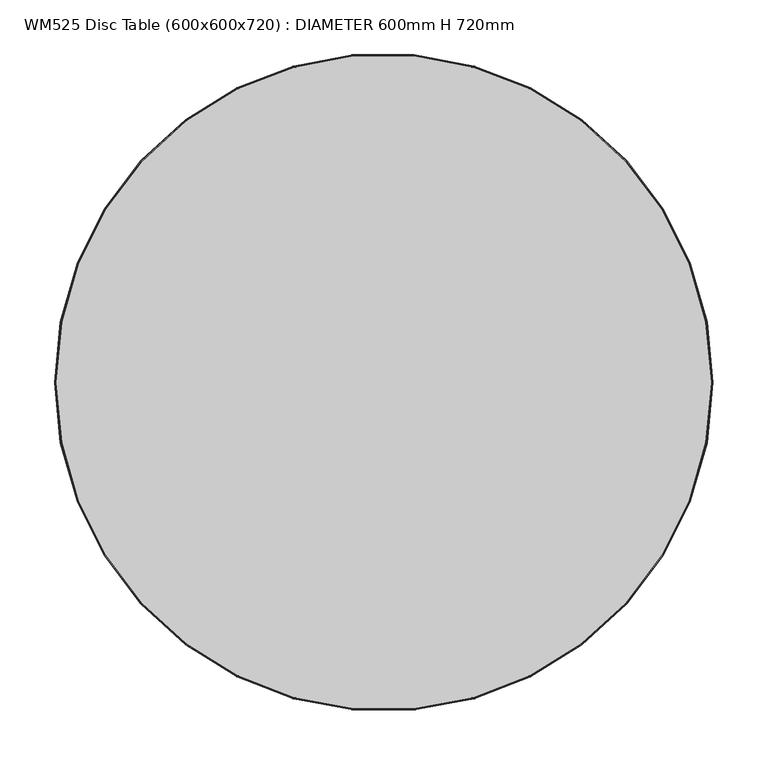
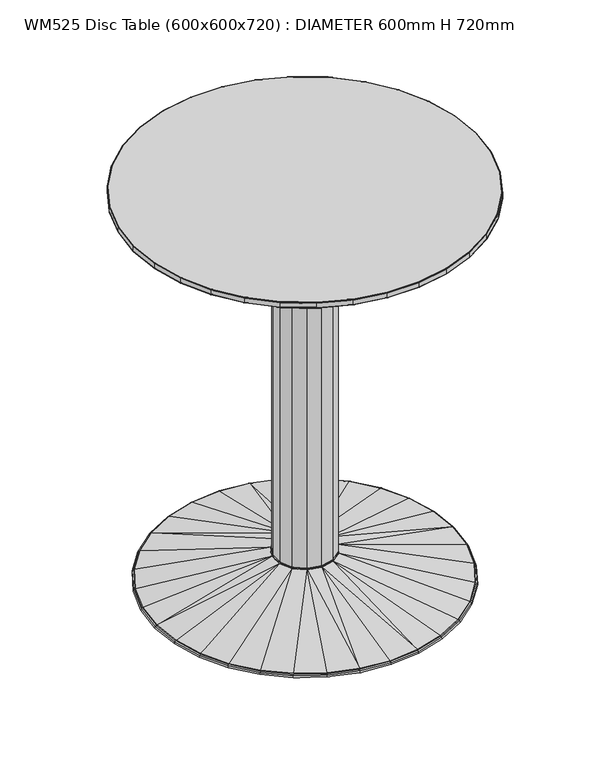
"""IFC4 building model written with IfcOpenShell, lengths in millimetres: furniture geometry, WM525 Disc Table (600x600x720) : DIAMETER 600mm H 720mm."""

from ifc_helpers import new_model, si_unit, origin, place, context, project, spatial, triangles, source, transform, mapped, element, save


def wm525_disc_table_600x600x720_diameter_600mm_h_720mm_f8f64fcc(model_context):
    return source(origin(), model_context, "Body", "Tessellation", [
        triangles([(254.6395261, 157.6661211, 709.8719318), (279.0820204, 108.1169653, 709.7818937), (254.4637193, 157.5572433, 709.7818937), (279.2748683, 108.1916701, 709.8719318), (180.4887288, 239.0056875, 709.8719318), (221.1799224, 201.632133, 709.7818937), (180.3640998, 238.840654, 709.7818937), (221.3327474, 201.7714595, 709.8719318), (81.9619121, 288.0662104, 709.8719318), (133.4061921, 267.9157688, 709.7818937), (81.9053113, 287.8672945, 709.7818937), (133.498383, 268.1008956, 709.8719318), (27.6343189, 298.2218041, 709.8719318), (-27.6152362, 298.0158574, 709.7818937), (-27.6343189, 298.2218041, 709.8719318), (27.6152362, 298.0158574, 709.7818937), (-81.9619121, 288.0662104, 709.8719318), (-133.4061921, 267.9157688, 709.7818937), (-133.498383, 268.1008956, 709.8719318), (-81.9053113, 287.8672945, 709.7818937), (-180.4887288, 239.0056875, 709.8719318), (-221.1799224, 201.632133, 709.7818937), (-221.3327474, 201.7714595, 709.8719318), (-180.3640998, 238.840654, 709.7818937), (-254.6395261, 157.6661211, 709.8719318), (-279.0820204, 108.1169653, 709.7818937), (-279.2748683, 108.1916701, 709.8719318), (-254.4637193, 157.5572433, 709.7818937), (-294.3998717, 55.0328781, 709.8719318), (-299.2925963, 0.0, 709.7818937), (-299.4994151, 0.0, 709.8719318), (-294.1965593, 54.9948717, 709.7818937), (-294.1965593, -54.9948717, 709.7818937), (-279.2748683, -108.1916701, 709.8719318), (-294.3998717, -55.0328781, 709.8719318), (-279.0820204, -108.1169653, 709.7818937), (-254.4637193, -157.5572433, 709.7818937), (-221.3327474, -201.7714595, 709.8719318), (-254.6395261, -157.6661211, 709.8719318), (-221.1799224, -201.632133, 709.7818937), (-180.3640998, -238.840654, 709.7818937), (-133.498383, -268.1008956, 709.8719318), (-180.4887288, -239.0056875, 709.8719318), (-133.4061921, -267.9157688, 709.7818937), (-81.9053113, -287.8672945, 709.7818937), (-27.6343189, -298.2218041, 709.8719318), (-81.9619121, -288.0662104, 709.8719318), (-27.6152362, -298.0158574, 709.7818937), (81.9053113, -287.8672945, 709.7818937), (27.6343189, -298.2218041, 709.8719318), (27.6152362, -298.0158574, 709.7818937), (81.9619121, -288.0662104, 709.8719318), (180.3640998, -238.840654, 709.7818937), (133.498383, -268.1008956, 709.8719318), (133.4061921, -267.9157688, 709.7818937), (180.4887288, -239.0056875, 709.8719318), (254.4637193, -157.5572433, 709.7818937), (221.3327474, -201.7714595, 709.8719318), (221.1799224, -201.632133, 709.7818937), (254.6395261, -157.6661211, 709.8719318), (294.1965593, -54.9948717, 709.7818937), (279.2748683, -108.1916701, 709.8719318), (279.0820204, -108.1169653, 709.7818937), (294.3998717, -55.0328781, 709.8719318), (254.9507172, 157.8588056, 710.2378979), (279.741119, 108.3722913, 710.73794), (279.6161811, 108.3238931, 710.2378979), (255.0646455, 157.9293318, 710.73794), (294.1965593, 54.9948717, 709.7818937), (294.3998717, 55.0328781, 709.8719318), (180.7900367, 239.4047002, 710.73794), (221.6032432, 202.018047, 710.2378979), (180.7093004, 239.2977845, 710.2378979), (221.7022379, 202.1083031, 710.73794), (82.0987406, 288.5471221, 710.73794), (133.6615271, 268.42851, 710.2378979), (82.0620695, 288.4182601, 710.2378979), (133.7212528, 268.54847, 710.73794), (-27.6804552, 298.7196662, 710.73794), (27.6680922, 298.5862623, 710.2378979), (-27.6680922, 298.5862623, 710.2378979), (27.6804552, 298.7196662, 710.73794), (-133.7212528, 268.54847, 710.73794), (-82.0620695, 288.4182601, 710.2378979), (-133.6615271, 268.42851, 710.2378979), (-82.0987406, 288.5471221, 710.73794), (-221.7022379, 202.1083031, 710.73794), (-180.7093004, 239.2977845, 710.2378979), (-221.6032432, 202.018047, 710.2378979), (-180.7900367, 239.4047002, 710.73794), (-279.741119, 108.3722913, 710.73794), (-254.9507172, 157.8588056, 710.2378979), (-279.6161811, 108.3238931, 710.2378979), (-255.0646455, 157.9293318, 710.73794), (-294.891357, 55.1247512, 710.73794), (-299.8654538, 0.0, 710.2378979), (-299.9994028, 0.0, 710.73794), (-294.7596245, 55.1001342, 710.2378979), (-294.891357, -55.1247512, 710.73794), (-279.6161811, -108.3238931, 710.2378979), (-279.741119, -108.3722913, 710.73794), (-294.7596245, -55.1001342, 710.2378979), (-255.0646455, -157.9293318, 710.73794), (-221.6032432, -202.018047, 710.2378979), (-221.7022379, -202.1083031, 710.73794), (-254.9507172, -157.8588056, 710.2378979), (-133.7212528, -268.54847, 710.73794), (-180.7093004, -239.2977845, 710.2378979), (-133.6615271, -268.42851, 710.2378979), (-180.7900367, -239.4047002, 710.73794), (-27.6804552, -298.7196662, 710.73794), (-82.0620695, -288.4182601, 710.2378979), (-27.6680922, -298.5862623, 710.2378979), (-82.0987406, -288.5471221, 710.73794), (82.0987406, -288.5471221, 710.73794), (27.6680922, -298.5862623, 710.2378979), (82.0620695, -288.4182601, 710.2378979), (27.6804552, -298.7196662, 710.73794), (180.7900367, -239.4047002, 710.73794), (133.6615271, -268.42851, 710.2378979), (180.7093004, -239.2977845, 710.2378979), (133.7212528, -268.54847, 710.73794), (221.6032432, -202.018047, 710.2378979), (255.0646455, -157.9293318, 710.73794), (221.7022379, -202.1083031, 710.73794), (254.9507172, -157.8588056, 710.2378979), (279.6161811, -108.3238931, 710.2378979), (294.891357, -55.1247512, 710.73794), (279.741119, -108.3722913, 710.73794), (294.7596245, -55.1001342, 710.2378979), (299.2925963, 0.0, 709.7818937), (299.4994151, 0.0, 709.8719318), (299.8654538, 0.0, 710.2378979), (294.891357, 55.1247512, 710.73794), (299.9994028, 0.0, 710.73794), (294.7596245, 55.1001342, 710.2378979), (299.9994028, 0.0, 718.998555), (294.891357, 55.1247512, 718.998555), (294.891357, -55.1247512, 718.998555), (279.741119, -108.3722913, 718.998555), (255.0646455, -157.9293318, 718.998555), (221.7022379, -202.1083031, 718.998555), (180.7900367, -239.4047002, 718.998555), (133.7212528, -268.54847, 718.998555), (82.0987406, -288.5471221, 718.998555), (27.6804552, -298.7196662, 718.998555), (-27.6804552, -298.7196662, 718.998555), (-82.0987406, -288.5471221, 718.998555), (-133.7212528, -268.54847, 718.998555), (-180.7900367, -239.4047002, 718.998555), (-221.7022379, -202.1083031, 718.998555), (-255.0646455, -157.9293318, 718.998555), (-279.741119, -108.3722913, 718.998555), (-294.891357, -55.1247512, 718.998555), (-299.9994028, 0.0, 718.998555), (-294.891357, 55.1247512, 718.998555), (-279.741119, 108.3722913, 718.998555), (-255.0646455, 157.9293318, 718.998555), (-221.7022379, 202.1083031, 718.998555), (-180.7900367, 239.4047002, 718.998555), (-133.7212528, 268.54847, 718.998555), (-82.0987406, 288.5471221, 718.998555), (-27.6804552, 298.7196662, 718.998555), (27.6804552, 298.7196662, 718.998555), (82.0987406, 288.5471221, 718.998555), (133.7212528, 268.54847, 718.998555), (180.7900367, 239.4047002, 718.998555), (221.7022379, 202.1083031, 718.998555), (255.0646455, 157.9293318, 718.998555), (279.741119, 108.3722913, 718.998555), (219.7391855, -48.3682504, 686.9986187), (224.9995475, 0.0, 686.9986187), (219.7391855, 48.3682504, 686.9986187), (204.204069, 94.4748565, 686.9986187), (179.1205892, 136.1639271, 686.9986187), (145.6616213, 171.4861351, 686.9986187), (105.3916956, 198.7898283, 686.9986187), (60.193755, 216.7983221, 686.9986187), (12.1812309, 224.6695713, 686.9986187), (-36.4008759, 222.0355388, 686.9986187), (-83.2809177, 209.0193456, 686.9986187), (-126.2668386, 186.2296575, 686.9986187), (-163.3486595, 154.7320706, 686.9986187), (-192.7924836, 115.9993876, 686.9986187), (-213.22156, 71.8427033, 686.9986187), (-223.6806055, 24.326731, 686.9986187), (-213.22156, -71.8427033, 686.9986187), (-223.6806055, -24.326731, 686.9986187), (-192.7924836, -115.9993876, 686.9986187), (-126.2668386, -186.2296575, 686.9986187), (-163.3486595, -154.7320706, 686.9986187), (-36.4008759, -222.0355388, 686.9986187), (-83.2809177, -209.0193456, 686.9986187), (60.193755, -216.7983221, 686.9986187), (12.1812309, -224.6695713, 686.9986187), (105.3916956, -198.7898283, 686.9986187), (145.6616213, -171.4861351, 686.9986187), (179.1205892, -136.1639271, 686.9986187), (204.204069, -94.4748565, 686.9986187), (254.9507172, 157.8588056, 719.4985971), (279.6161811, 108.3238931, 719.4985971), (180.7093004, 239.2977845, 719.4985971), (221.6032432, 202.018047, 719.4985971), (82.0620695, 288.4182601, 719.4985971), (133.6615271, 268.42851, 719.4985971), (-27.6680922, 298.5862623, 719.4985971), (27.6680922, 298.5862623, 719.4985971), (-133.6615271, 268.42851, 719.4985971), (-82.0620695, 288.4182601, 719.4985971), (-221.6032432, 202.018047, 719.4985971), (-180.7093004, 239.2977845, 719.4985971), (-254.9507172, 157.8588056, 719.4985971), (-279.6161811, 108.3238931, 719.4985971), (-294.7596245, 55.1001342, 719.4985971), (-299.8654538, 0.0, 719.4985971), (-279.6161811, -108.3238931, 719.4985971), (-294.7596245, -55.1001342, 719.4985971), (-221.6032432, -202.018047, 719.4985971), (-254.9507172, -157.8588056, 719.4985971), (-133.6615271, -268.42851, 719.4985971), (-180.7093004, -239.2977845, 719.4985971), (-27.6680922, -298.5862623, 719.4985971), (-82.0620695, -288.4182601, 719.4985971), (82.0620695, -288.4182601, 719.4985971), (27.6680922, -298.5862623, 719.4985971), (180.7093004, -239.2977845, 719.4985971), (133.6615271, -268.42851, 719.4985971), (221.6032432, -202.018047, 719.4985971), (254.9507172, -157.8588056, 719.4985971), (279.6161811, -108.3238931, 719.4985971), (294.7596245, -55.1001342, 719.4985971), (278.8086722, 108.0110488, 719.9986393), (254.6395261, 157.6661211, 719.8646358), (254.2144249, 157.4029105, 719.9986393), (279.2748683, 108.1916701, 719.8646358), (294.7596245, 55.1001342, 719.4985971), (220.9632387, 201.4345978, 719.9986393), (180.4887288, 239.0056875, 719.8646358), (180.1874027, 238.606693, 719.9986393), (221.3327474, 201.7714595, 719.8646358), (133.2755042, 267.6533212, 719.9986393), (81.9619121, 288.0662104, 719.8646358), (81.8250745, 287.5853168, 719.9986393), (133.498383, 268.1008956, 719.8646358), (-27.5881848, 297.7239421, 719.9986393), (27.6343189, 298.2218041, 719.8646358), (-27.6343189, 298.2218041, 719.8646358), (27.5881848, 297.7239421, 719.9986393), (-133.2755042, 267.6533212, 719.9986393), (-81.9619121, 288.0662104, 719.8646358), (-133.498383, 268.1008956, 719.8646358), (-81.8250745, 287.5853168, 719.9986393), (-220.9632387, 201.4345978, 719.9986393), (-180.4887288, 239.0056875, 719.8646358), (-221.3327474, 201.7714595, 719.8646358), (-180.1874027, 238.606693, 719.9986393), (-278.8086722, 108.0110488, 719.9986393), (-254.6395261, 157.6661211, 719.8646358), (-279.2748683, 108.1916701, 719.8646358), (-254.2144249, 157.4029105, 719.9986393), (-298.9994093, 0.0, 719.9986393), (-294.3998717, 55.0328781, 719.8646358), (-299.4994151, 0.0, 719.8646358), (-293.9084046, 54.940996, 719.9986393), (-279.2748683, -108.1916701, 719.8646358), (-293.9084046, -54.940996, 719.9986393), (-294.3998717, -55.0328781, 719.8646358), (-278.8086722, -108.0110488, 719.9986393), (-221.3327474, -201.7714595, 719.8646358), (-254.2144249, -157.4029105, 719.9986393), (-254.6395261, -157.6661211, 719.8646358), (-220.9632387, -201.4345978, 719.9986393), (-133.498383, -268.1008956, 719.8646358), (-180.1874027, -238.606693, 719.9986393), (-180.4887288, -239.0056875, 719.8646358), (-133.2755042, -267.6533212, 719.9986393), (-27.6343189, -298.2218041, 719.8646358), (-81.8250745, -287.5853168, 719.9986393), (-81.9619121, -288.0662104, 719.8646358), (-27.5881848, -297.7239421, 719.9986393), (27.6343189, -298.2218041, 719.8646358), (81.8250745, -287.5853168, 719.9986393), (27.5881848, -297.7239421, 719.9986393), (81.9619121, -288.0662104, 719.8646358), (133.498383, -268.1008956, 719.8646358), (180.1874027, -238.606693, 719.9986393), (133.2755042, -267.6533212, 719.9986393), (180.4887288, -239.0056875, 719.8646358), (221.3327474, -201.7714595, 719.8646358), (254.2144249, -157.4029105, 719.9986393), (220.9632387, -201.4345978, 719.9986393), (254.6395261, -157.6661211, 719.8646358), (279.2748683, -108.1916701, 719.8646358), (293.9084046, -54.940996, 719.9986393), (278.8086722, -108.0110488, 719.9986393), (294.3998717, -55.0328781, 719.8646358), (299.8654538, 0.0, 719.4985971), (298.9994093, 0.0, 719.9986393), (294.3998717, 55.0328781, 719.8646358), (293.9084046, 54.940996, 719.9986393), (299.4994151, 0.0, 719.8646358)], [[1, 2, 3], [2, 1, 4], [5, 6, 7], [6, 5, 8], [9, 10, 11], [10, 9, 12], [13, 14, 15], [14, 13, 16], [17, 18, 19], [18, 17, 20], [21, 22, 23], [22, 21, 24], [25, 26, 27], [26, 25, 28], [29, 30, 31], [30, 29, 32], [33, 34, 35], [34, 33, 36], [37, 38, 39], [38, 37, 40], [41, 42, 43], [42, 41, 44], [45, 46, 47], [46, 45, 48], [49, 50, 51], [50, 49, 52], [53, 54, 55], [54, 53, 56], [57, 58, 59], [58, 57, 60], [61, 62, 63], [62, 61, 64], [65, 66, 67], [66, 65, 68], [4, 69, 2], [69, 4, 70], [71, 72, 73], [72, 71, 74], [8, 3, 6], [3, 8, 1], [75, 76, 77], [76, 75, 78], [12, 7, 10], [7, 12, 5], [79, 80, 81], [80, 79, 82], [13, 11, 16], [11, 13, 9], [83, 84, 85], [84, 83, 86], [15, 20, 17], [20, 15, 14], [87, 88, 89], [88, 87, 90], [19, 24, 21], [24, 19, 18], [91, 92, 93], [92, 91, 94], [23, 28, 25], [28, 23, 22], [95, 96, 97], [96, 95, 98], [27, 32, 29], [32, 27, 26], [99, 100, 101], [100, 99, 102], [30, 35, 31], [35, 30, 33], [103, 104, 105], [104, 103, 106], [36, 39, 34], [39, 36, 37], [107, 108, 109], [108, 107, 110], [40, 43, 38], [43, 40, 41], [111, 112, 113], [112, 111, 114], [44, 47, 42], [47, 44, 45], [115, 116, 117], [116, 115, 118], [48, 50, 46], [50, 48, 51], [119, 120, 121], [120, 119, 122], [55, 52, 49], [52, 55, 54], [123, 124, 125], [124, 123, 126], [59, 56, 53], [56, 59, 58], [127, 128, 129], [128, 127, 130], [63, 60, 57], [60, 63, 62], [70, 131, 69], [131, 70, 132], [131, 64, 61], [64, 131, 132], [133, 134, 135], [134, 133, 136], [64, 133, 130], [133, 64, 132], [62, 126, 60], [126, 62, 127], [58, 121, 56], [121, 58, 123], [54, 117, 52], [117, 54, 120], [116, 46, 50], [46, 116, 113], [42, 112, 109], [112, 42, 47], [38, 108, 104], [108, 38, 43], [34, 106, 100], [106, 34, 39], [96, 35, 102], [35, 96, 31], [93, 29, 98], [29, 93, 27], [89, 25, 92], [25, 89, 23], [85, 21, 88], [21, 85, 19], [81, 17, 84], [17, 81, 15], [80, 9, 13], [9, 80, 77], [76, 5, 12], [5, 76, 73], [72, 1, 8], [1, 72, 65], [67, 70, 4], [70, 67, 136], [67, 134, 136], [134, 67, 66], [70, 133, 132], [133, 70, 136], [72, 68, 65], [68, 72, 74], [65, 4, 1], [4, 65, 67], [78, 73, 76], [73, 78, 71], [73, 8, 5], [8, 73, 72], [82, 77, 80], [77, 82, 75], [77, 12, 9], [12, 77, 76], [86, 81, 84], [81, 86, 79], [81, 13, 15], [13, 81, 80], [90, 85, 88], [85, 90, 83], [84, 19, 85], [19, 84, 17], [94, 89, 92], [89, 94, 87], [88, 23, 89], [23, 88, 21], [95, 93, 98], [93, 95, 91], [92, 27, 93], [27, 92, 25], [97, 102, 99], [102, 97, 96], [98, 31, 96], [31, 98, 29], [101, 106, 103], [106, 101, 100], [35, 100, 102], [100, 35, 34], [110, 104, 108], [104, 110, 105], [39, 104, 106], [104, 39, 38], [114, 109, 112], [109, 114, 107], [43, 109, 108], [109, 43, 42], [118, 113, 116], [113, 118, 111], [47, 113, 112], [113, 47, 46], [122, 117, 120], [117, 122, 115], [52, 116, 50], [116, 52, 117], [125, 121, 123], [121, 125, 119], [56, 120, 54], [120, 56, 121], [126, 129, 124], [129, 126, 127], [60, 123, 58], [123, 60, 126], [130, 135, 128], [135, 130, 133], [64, 127, 62], [127, 64, 130], [134, 137, 135], [137, 134, 138], [135, 139, 128], [139, 135, 137], [128, 140, 129], [140, 128, 139], [129, 141, 124], [141, 129, 140], [124, 142, 125], [142, 124, 141], [142, 119, 125], [119, 142, 143], [143, 122, 119], [122, 143, 144], [144, 115, 122], [115, 144, 145], [145, 118, 115], [118, 145, 146], [146, 111, 118], [111, 146, 147], [147, 114, 111], [114, 147, 148], [148, 107, 114], [107, 148, 149], [149, 110, 107], [110, 149, 150], [150, 105, 110], [105, 150, 151], [152, 105, 151], [105, 152, 103], [153, 103, 152], [103, 153, 101], [154, 101, 153], [101, 154, 99], [155, 99, 154], [99, 155, 97], [156, 97, 155], [97, 156, 95], [157, 95, 156], [95, 157, 91], [158, 91, 157], [91, 158, 94], [159, 94, 158], [94, 159, 87], [159, 90, 87], [90, 159, 160], [160, 83, 90], [83, 160, 161], [161, 86, 83], [86, 161, 162], [162, 79, 86], [79, 162, 163], [163, 82, 79], [82, 163, 164], [164, 75, 82], [75, 164, 165], [165, 78, 75], [78, 165, 166], [166, 71, 78], [71, 166, 167], [167, 74, 71], [74, 167, 168], [74, 169, 68], [169, 74, 168], [68, 170, 66], [170, 68, 169], [66, 138, 134], [138, 66, 170], [61, 171, 172], [131, 61, 172], [2, 173, 174], [2, 174, 3], [6, 175, 176], [6, 176, 7], [10, 177, 178], [10, 178, 11], [11, 178, 16], [179, 180, 14], [14, 180, 20], [181, 182, 18], [182, 24, 18], [183, 184, 22], [184, 28, 22], [184, 26, 28], [185, 186, 32], [186, 30, 32], [187, 33, 188], [187, 36, 33], [189, 37, 36], [189, 40, 37], [190, 41, 191], [190, 44, 41], [192, 45, 193], [48, 45, 192], [194, 51, 195], [49, 51, 194], [55, 49, 194], [53, 196, 197], [59, 53, 197], [57, 198, 199], [63, 57, 199], [131, 172, 69], [61, 63, 171], [63, 199, 171], [57, 59, 198], [59, 197, 198], [53, 55, 196], [55, 194, 196], [51, 48, 195], [195, 48, 192], [45, 44, 193], [193, 44, 190], [191, 41, 40], [191, 40, 189], [189, 36, 187], [188, 33, 30], [188, 30, 186], [185, 32, 26], [184, 185, 26], [183, 22, 24], [182, 183, 24], [20, 181, 18], [180, 181, 20], [16, 179, 14], [178, 179, 16], [7, 177, 10], [7, 176, 177], [3, 175, 6], [3, 174, 175], [69, 173, 2], [69, 172, 173], [170, 200, 201], [200, 170, 169], [202, 168, 167], [168, 202, 203], [204, 166, 165], [166, 204, 205], [206, 164, 163], [164, 206, 207], [208, 162, 161], [162, 208, 209], [210, 160, 159], [160, 210, 211], [212, 157, 213], [157, 212, 158], [214, 155, 215], [155, 214, 156], [216, 154, 153], [154, 216, 217], [218, 152, 151], [152, 218, 219], [220, 150, 149], [150, 220, 221], [222, 148, 147], [148, 222, 223], [224, 146, 145], [146, 224, 225], [226, 144, 143], [144, 226, 227], [141, 228, 142], [228, 141, 229], [139, 230, 140], [230, 139, 231], [232, 233, 234], [233, 232, 235], [138, 201, 236], [201, 138, 170], [237, 238, 239], [238, 237, 240], [169, 203, 200], [203, 169, 168], [241, 242, 243], [242, 241, 244], [205, 167, 166], [167, 205, 202], [245, 246, 247], [246, 245, 248], [207, 165, 164], [165, 207, 204], [249, 250, 251], [250, 249, 252], [209, 163, 162], [163, 209, 206], [253, 254, 255], [254, 253, 256], [211, 161, 160], [161, 211, 208], [257, 258, 259], [258, 257, 260], [210, 158, 212], [158, 210, 159], [261, 262, 263], [262, 261, 264], [213, 156, 214], [156, 213, 157], [265, 266, 267], [266, 265, 268], [217, 155, 154], [155, 217, 215], [269, 270, 271], [270, 269, 272], [219, 153, 152], [153, 219, 216], [273, 274, 275], [274, 273, 276], [221, 151, 150], [151, 221, 218], [277, 278, 279], [278, 277, 280], [223, 149, 148], [149, 223, 220], [281, 282, 283], [282, 281, 284], [225, 147, 146], [147, 225, 222], [285, 286, 287], [286, 285, 288], [227, 145, 144], [145, 227, 224], [289, 290, 291], [290, 289, 292], [228, 143, 142], [143, 228, 226], [293, 294, 295], [294, 293, 296], [140, 229, 141], [229, 140, 230], [137, 236, 297], [236, 137, 138], [137, 231, 139], [231, 137, 297], [298, 299, 300], [299, 298, 301], [297, 296, 231], [296, 297, 301], [229, 293, 292], [293, 229, 230], [226, 289, 288], [289, 226, 228], [224, 285, 284], [285, 224, 227], [281, 222, 225], [222, 281, 277], [223, 273, 220], [273, 223, 279], [221, 269, 218], [269, 221, 275], [219, 265, 216], [265, 219, 271], [267, 215, 217], [215, 267, 263], [262, 213, 214], [213, 262, 259], [258, 210, 212], [210, 258, 255], [254, 208, 211], [208, 254, 251], [250, 206, 209], [206, 250, 247], [242, 207, 246], [207, 242, 204], [238, 205, 244], [205, 238, 202], [233, 203, 240], [203, 233, 200], [299, 201, 235], [201, 299, 236], [300, 235, 232], [235, 300, 299], [297, 299, 301], [299, 297, 236], [234, 240, 237], [240, 234, 233], [235, 200, 233], [200, 235, 201], [239, 244, 241], [244, 239, 238], [240, 202, 238], [202, 240, 203], [243, 246, 248], [246, 243, 242], [244, 204, 242], [204, 244, 205], [252, 247, 250], [247, 252, 245], [247, 207, 206], [207, 247, 246], [256, 251, 254], [251, 256, 249], [251, 209, 208], [209, 251, 250], [260, 255, 258], [255, 260, 253], [255, 211, 210], [211, 255, 254], [264, 259, 262], [259, 264, 257], [259, 212, 213], [212, 259, 258], [267, 261, 263], [261, 267, 266], [262, 215, 263], [215, 262, 214], [271, 268, 265], [268, 271, 270], [216, 267, 217], [267, 216, 265], [275, 272, 269], [272, 275, 274], [218, 271, 219], [271, 218, 269], [279, 276, 273], [276, 279, 278], [220, 275, 221], [275, 220, 273], [281, 280, 277], [280, 281, 283], [222, 279, 223], [279, 222, 277], [284, 287, 282], [287, 284, 285], [225, 284, 281], [284, 225, 224], [288, 291, 286], [291, 288, 289], [227, 288, 285], [288, 227, 226], [292, 295, 290], [295, 292, 293], [228, 292, 289], [292, 228, 229], [296, 298, 294], [298, 296, 301], [230, 296, 293], [296, 230, 231], [266, 264, 261], [264, 266, 268], [264, 268, 257], [257, 268, 270], [257, 270, 260], [260, 270, 272], [260, 272, 253], [253, 272, 274], [253, 274, 256], [256, 274, 276], [256, 276, 249], [249, 276, 278], [249, 278, 252], [252, 278, 280], [252, 280, 245], [245, 280, 283], [245, 283, 248], [248, 283, 282], [248, 282, 243], [243, 282, 287], [243, 287, 241], [241, 287, 286], [241, 286, 239], [239, 286, 291], [239, 291, 237], [237, 291, 290], [237, 290, 234], [234, 290, 295], [234, 295, 232], [232, 295, 294], [232, 294, 300], [300, 294, 298], [185, 188, 186], [188, 185, 187], [187, 185, 184], [187, 184, 189], [189, 184, 183], [189, 183, 191], [191, 183, 182], [191, 182, 190], [190, 182, 181], [190, 181, 193], [193, 181, 180], [193, 180, 192], [192, 180, 179], [192, 179, 195], [195, 179, 178], [195, 178, 194], [194, 178, 177], [194, 177, 196], [196, 177, 176], [196, 176, 197], [197, 176, 175], [197, 175, 198], [198, 175, 174], [198, 174, 199], [199, 174, 173], [199, 173, 171], [171, 173, 172]]),
        triangles([(50.4550871, -253.6548479, 4.8718411), (0.0, -52.5499992, 52.4478297), (0.0, -258.6242393, 4.8718411), (-22.8005887, -47.3459109, 52.4478297), (-98.9712209, -238.9376503, 4.8718411), (-50.4550871, -253.6548479, 4.8718411), (-143.6839441, -215.0381824, 4.8718411), (-41.0852375, -32.7643859, 52.4478297), (-182.8749567, -182.8749567, 4.8718411), (-215.0381824, -143.6839441, 4.8718411), (-238.9376503, -98.9712209, 4.8718411), (-51.232456, -11.6934734, 52.4478297), (-253.6548479, -50.4550871, 4.8718411), (-258.6242393, 0.0, 4.8718411), (-51.232456, 11.6934734, 52.4478297), (-253.6548479, 50.4550871, 4.8718411), (-238.9376503, 98.9712209, 4.8718411), (-41.0852375, 32.7643859, 52.4478297), (-215.0381824, 143.6839441, 4.8718411), (-182.8749567, 182.8749567, 4.8718411), (-143.6839441, 215.0381824, 4.8718411), (0.0, 52.5499992, 52.4478297), (-98.9712209, 238.9376503, 4.8718411), (-50.4550871, 253.6548479, 4.8718411), (0.0, 258.6242393, 4.8718411), (50.4550871, 253.6548479, 4.8718411), (98.9712209, 238.9376503, 4.8718411), (22.8005887, 47.3459109, 52.4478297), (143.6839441, 215.0381824, 4.8718411), (182.8749567, 182.8749567, 4.8718411), (41.0852375, 32.7643859, 52.4478297), (215.0381824, 143.6839441, 4.8718411), (238.9376503, 98.9712209, 4.8718411), (253.6548479, 50.4550871, 4.8718411), (51.232456, 11.6934734, 52.4478297), (258.6242393, 0.0, 4.8718411), (51.232456, -11.6934734, 52.4478297), (253.6548479, -50.4550871, 4.8718411), (238.9376503, -98.9712209, 4.8718411), (41.0852375, -32.7643859, 52.4478297), (215.0381824, -143.6839441, 4.8718411), (182.8749567, -182.8749567, 4.8718411), (143.6839441, -215.0381824, 4.8718411), (22.8005887, -47.3459109, 52.4478297), (98.9712209, -238.9376503, 4.8718411), (-22.8005887, 47.3459109, 52.4478297), (25.9999482, -45.0332341, 52.664518), (42.0687984, -30.5647723, 52.664518), (50.8635741, 10.811387, 52.664518), (50.8635741, -10.811387, 52.664518), (42.0687984, 30.5647723, 52.664518), (50.1475204, 10.6591854, 53.3965727), (41.4765608, 30.1344865, 53.3965727), (39.8733293, 31.7979183, 54.3965661), (49.7212292, 11.3485465, 54.3965661), (22.128028, 45.949321, 54.3965661), (5.3589497, 50.9869995, 53.3965727), (0.0, 50.9998985, 54.3965661), (25.6339232, 44.3992612, 53.3965727), (5.4354695, 51.7150392, 52.664518), (25.9999482, 45.0332341, 52.664518), (-22.128028, 45.949321, 54.3965661), (-34.3048874, 38.0994345, 53.3965727), (-39.8733293, 31.7979183, 54.3965661), (-16.0688525, 49.4548393, 52.664518), (-34.7947239, 38.6434534, 52.664518), (-15.8426365, 48.7586199, 53.3965727), (-49.7212292, 11.3485465, 54.3965661), (-51.2678463, 0.0, 53.3965727), (-49.7212292, -11.3485465, 54.3965661), (-46.8355088, 20.8525131, 53.3965727), (-51.9998965, 0.0, 52.664518), (-47.5042724, 21.1502624, 52.664518), (-22.128028, -45.949321, 54.3965661), (-39.8733293, -31.7979183, 54.3965661), (-34.3048874, -38.0994345, 53.3965727), (-34.7947239, -38.6434534, 52.664518), (-46.8355088, -20.8525131, 53.3965727), (-47.5042724, -21.1502624, 52.664518), (-16.0688525, -49.4548393, 52.664518), (39.8733293, -31.7979183, 54.3965661), (22.128028, -45.949321, 54.3965661), (25.6339232, -44.3992612, 53.3965727), (5.3589497, -50.9869995, 53.3965727), (50.1475204, -10.6591854, 53.3965727), (49.7212292, -11.3485465, 54.3965661), (41.4765608, -30.1344865, 53.3965727), (5.4354695, -51.7150392, 52.664518), (-15.8426365, -48.7586199, 53.3965727), (0.0, -50.9998985, 54.3965661), (22.128028, -45.949321, 686.9986187), (0.0, -50.9998985, 686.9986187), (-22.128028, -45.949321, 686.9986187), (-39.8733293, -31.7979183, 686.9986187), (-49.7212292, -11.3485465, 686.9986187), (-49.7212292, 11.3485465, 686.9986187), (-39.8733293, 31.7979183, 686.9986187), (-22.128028, 45.949321, 686.9986187), (0.0, 50.9998985, 686.9986187), (22.128028, 45.949321, 686.9986187), (39.8733293, 31.7979183, 686.9986187), (49.7212292, 11.3485465, 686.9986187), (49.7212292, -11.3485465, 686.9986187), (39.8733293, -31.7979183, 686.9986187), (-257.4556333, 51.2111092, 0.0), (-257.4556333, -51.2111092, 0.0), (-262.4994933, 0.0, 0.0), (-242.5179005, 100.4542063, 0.0), (-242.5179005, -100.4542063, 0.0), (-218.2603513, 145.8369013, 0.0), (-218.2603513, -145.8369013, 0.0), (-185.6151601, 185.6151601, 0.0), (-185.6151601, -185.6151601, 0.0), (-145.8369013, 218.2603513, 0.0), (-145.8369013, -218.2603513, 0.0), (-100.4542063, 242.5179005, 0.0), (-100.4542063, -242.5179005, 0.0), (-51.2111092, 257.4556333, 0.0), (-51.2111092, -257.4556333, 0.0), (0.0, 262.4994933, 0.0), (0.0, -262.4994933, 0.0), (51.2111092, -257.4556333, 0.0), (51.2111092, 257.4556333, 0.0), (100.4542063, 242.5179005, 0.0), (100.4542063, -242.5179005, 0.0), (145.8369013, 218.2603513, 0.0), (145.8369013, -218.2603513, 0.0), (185.6151601, 185.6151601, 0.0), (185.6151601, -185.6151601, 0.0), (218.2603513, 145.8369013, 0.0), (218.2603513, -145.8369013, 0.0), (242.5179005, 100.4542063, 0.0), (242.5179005, -100.4542063, 0.0), (257.4556333, 51.2111092, 0.0), (257.4556333, -51.2111092, 0.0), (262.4994933, 0.0, 0.0), (-241.8990247, 100.1978539, 2.499995), (-256.798624, 51.0804214, 2.499995), (-217.7033541, 145.4647402, 2.499995), (-240.2082122, 99.497506, 4.3301187), (-255.0036754, 50.7233846, 4.3301187), (-185.1414971, 185.1414971, 2.499995), (-145.4647402, 217.7033541, 2.499995), (-183.8474082, 183.8474082, 4.3301187), (-216.181681, 144.447969, 4.3301187), (-100.1978539, 241.8990247, 2.499995), (-51.0804214, 256.798624, 2.499995), (-99.497506, 240.2082122, 4.3301187), (-144.447969, 216.181681, 4.3301187), (0.0, 261.8296214, 2.499995), (51.0804214, 256.798624, 2.499995), (0.0, 259.9995006, 4.3301187), (-50.7233846, 255.0036754, 4.3301187), (100.1978539, 241.8990247, 2.499995), (145.4647402, 217.7033541, 2.499995), (50.7233846, 255.0036754, 4.3301187), (99.497506, 240.2082122, 4.3301187), (185.1414971, 185.1414971, 2.499995), (217.7033541, 145.4647402, 2.499995), (144.447969, 216.181681, 4.3301187), (183.8474082, 183.8474082, 4.3301187), (241.8990247, 100.1978539, 2.499995), (256.798624, 51.0804214, 2.499995), (216.181681, 144.447969, 4.3301187), (240.2082122, 99.497506, 4.3301187), (261.8296214, 0.0, 2.499995), (256.798624, -51.0804214, 2.499995), (255.0036754, 50.7233846, 4.3301187), (259.9995006, 0.0, 4.3301187), (241.8990247, -100.1978539, 2.499995), (217.7033541, -145.4647402, 2.499995), (240.2082122, -99.497506, 4.3301187), (255.0036754, -50.7233846, 4.3301187), (185.1414971, -185.1414971, 2.499995), (145.4647402, -217.7033541, 2.499995), (183.8474082, -183.8474082, 4.3301187), (216.181681, -144.447969, 4.3301187), (100.1978539, -241.8990247, 2.499995), (51.0804214, -256.798624, 2.499995), (99.497506, -240.2082122, 4.3301187), (144.447969, -216.181681, 4.3301187), (0.0, -261.8296214, 2.499995), (-51.0804214, -256.798624, 2.499995), (0.0, -259.9995006, 4.3301187), (50.7233846, -255.0036754, 4.3301187), (-100.1978539, -241.8990247, 2.499995), (-145.4647402, -217.7033541, 2.499995), (-50.7233846, -255.0036754, 4.3301187), (-99.497506, -240.2082122, 4.3301187), (-185.1414971, -185.1414971, 2.499995), (-217.7033541, -145.4647402, 2.499995), (-144.447969, -216.181681, 4.3301187), (-183.8474082, -183.8474082, 4.3301187), (-241.8990247, -100.1978539, 2.499995), (-256.798624, -51.0804214, 2.499995), (-216.181681, -144.447969, 4.3301187), (-240.2082122, -99.497506, 4.3301187), (-261.8296214, 0.0, 2.499995), (-255.0036754, -50.7233846, 4.3301187), (-259.9995006, 0.0, 4.3301187)], [[1, 2, 3], [4, 5, 6], [4, 7, 5], [8, 9, 7], [8, 10, 9], [8, 11, 10], [12, 13, 11], [12, 14, 13], [15, 16, 14], [15, 17, 16], [18, 19, 17], [18, 20, 19], [18, 21, 20], [22, 23, 21], [22, 24, 23], [25, 24, 22], [26, 25, 22], [27, 26, 28], [29, 27, 28], [30, 29, 31], [32, 30, 31], [33, 32, 31], [34, 33, 35], [36, 34, 35], [36, 37, 38], [38, 37, 39], [39, 40, 41], [41, 40, 42], [42, 40, 43], [43, 44, 45], [45, 44, 1], [2, 6, 3], [1, 44, 2], [43, 40, 44], [39, 37, 40], [36, 35, 37], [33, 31, 35], [29, 28, 31], [26, 22, 28], [22, 21, 46], [46, 21, 18], [18, 17, 15], [15, 14, 12], [8, 12, 11], [4, 8, 7], [2, 4, 6], [40, 47, 44], [48, 47, 40], [37, 49, 50], [49, 37, 35], [35, 51, 49], [52, 51, 53], [51, 52, 49], [54, 55, 53], [53, 55, 52], [56, 57, 58], [59, 60, 57], [60, 59, 61], [31, 28, 61], [61, 28, 60], [62, 63, 64], [63, 65, 66], [65, 63, 67], [22, 46, 65], [65, 46, 66], [68, 69, 70], [71, 72, 69], [72, 71, 73], [74, 75, 76], [77, 78, 79], [78, 77, 76], [8, 79, 12], [77, 79, 8], [2, 80, 4], [81, 82, 83], [82, 84, 83], [49, 85, 50], [85, 49, 52], [85, 55, 86], [55, 85, 52], [18, 15, 73], [73, 15, 72], [80, 77, 4], [4, 77, 8], [79, 72, 12], [12, 72, 15], [66, 18, 73], [46, 18, 66], [60, 22, 65], [28, 22, 60], [51, 31, 61], [31, 51, 35], [48, 85, 87], [85, 48, 50], [37, 50, 48], [37, 48, 40], [88, 80, 2], [84, 80, 88], [80, 84, 89], [88, 83, 84], [83, 88, 47], [47, 88, 44], [44, 88, 2], [82, 90, 84], [85, 86, 87], [47, 87, 83], [87, 47, 48], [81, 83, 87], [86, 81, 87], [56, 59, 57], [53, 61, 59], [61, 53, 51], [54, 53, 59], [54, 59, 56], [62, 67, 63], [67, 60, 65], [60, 67, 57], [58, 57, 67], [58, 67, 62], [71, 69, 68], [71, 66, 73], [66, 71, 63], [63, 71, 64], [64, 71, 68], [78, 76, 75], [78, 72, 79], [72, 78, 69], [69, 78, 70], [75, 70, 78], [90, 89, 84], [80, 76, 77], [76, 80, 89], [74, 76, 89], [90, 74, 89], [91, 90, 82], [90, 91, 92], [92, 74, 90], [74, 92, 93], [93, 75, 74], [75, 93, 94], [95, 75, 94], [75, 95, 70], [96, 70, 95], [70, 96, 68], [97, 68, 96], [68, 97, 64], [97, 62, 64], [62, 97, 98], [98, 58, 62], [58, 98, 99], [99, 56, 58], [56, 99, 100], [100, 54, 56], [54, 100, 101], [54, 102, 55], [102, 54, 101], [55, 103, 86], [103, 55, 102], [86, 104, 81], [104, 86, 103], [104, 82, 81], [82, 104, 91], [94, 96, 95], [96, 94, 97], [97, 94, 93], [97, 93, 98], [98, 93, 92], [98, 92, 99], [99, 92, 91], [99, 91, 100], [100, 91, 104], [100, 104, 101], [101, 104, 103], [101, 103, 102], [105, 106, 107], [106, 105, 108], [106, 108, 109], [109, 108, 110], [109, 110, 111], [111, 110, 112], [111, 112, 113], [113, 112, 114], [113, 114, 115], [115, 114, 116], [115, 116, 117], [117, 116, 118], [117, 118, 119], [119, 118, 120], [119, 120, 121], [121, 120, 122], [122, 120, 123], [122, 123, 124], [122, 124, 125], [125, 124, 126], [125, 126, 127], [127, 126, 128], [127, 128, 129], [129, 128, 130], [129, 130, 131], [131, 130, 132], [131, 132, 133], [133, 132, 134], [133, 134, 135], [135, 134, 136], [137, 105, 138], [105, 137, 108], [139, 108, 137], [108, 139, 110], [16, 140, 141], [140, 16, 17], [142, 110, 139], [110, 142, 112], [142, 114, 112], [114, 142, 143], [19, 144, 145], [144, 19, 20], [143, 116, 114], [116, 143, 146], [146, 118, 116], [118, 146, 147], [21, 148, 149], [148, 21, 23], [147, 120, 118], [120, 147, 150], [150, 123, 120], [123, 150, 151], [24, 152, 153], [152, 24, 25], [151, 124, 123], [124, 151, 154], [154, 126, 124], [126, 154, 155], [27, 156, 26], [156, 27, 157], [155, 128, 126], [128, 155, 158], [130, 158, 159], [158, 130, 128], [30, 160, 29], [160, 30, 161], [132, 159, 162], [159, 132, 130], [134, 162, 163], [162, 134, 132], [33, 164, 32], [164, 33, 165], [134, 166, 136], [166, 134, 163], [136, 167, 135], [167, 136, 166], [36, 168, 34], [168, 36, 169], [135, 170, 133], [170, 135, 167], [133, 171, 131], [171, 133, 170], [172, 38, 39], [38, 172, 173], [131, 174, 129], [174, 131, 171], [174, 127, 129], [127, 174, 175], [176, 41, 42], [41, 176, 177], [175, 125, 127], [125, 175, 178], [178, 122, 125], [122, 178, 179], [180, 43, 45], [43, 180, 181], [179, 121, 122], [121, 179, 182], [182, 119, 121], [119, 182, 183], [184, 1, 3], [1, 184, 185], [183, 117, 119], [117, 183, 186], [186, 115, 117], [115, 186, 187], [188, 5, 189], [5, 188, 6], [187, 113, 115], [113, 187, 190], [190, 111, 113], [111, 190, 191], [192, 9, 193], [9, 192, 7], [191, 109, 111], [109, 191, 194], [194, 106, 109], [106, 194, 195], [196, 11, 197], [11, 196, 10], [195, 107, 106], [107, 195, 198], [199, 14, 200], [14, 199, 13], [138, 107, 198], [107, 138, 105], [182, 188, 183], [188, 182, 184], [186, 192, 187], [192, 186, 189], [190, 196, 191], [196, 190, 193], [194, 199, 195], [199, 194, 197], [200, 138, 198], [138, 200, 141], [140, 139, 137], [139, 140, 145], [144, 143, 142], [143, 144, 149], [148, 147, 146], [147, 148, 153], [156, 150, 152], [150, 156, 151], [160, 154, 157], [154, 160, 155], [164, 158, 161], [158, 164, 159], [168, 162, 165], [162, 168, 163], [167, 169, 173], [169, 167, 166], [171, 172, 177], [172, 171, 170], [175, 176, 181], [176, 175, 174], [179, 180, 185], [180, 179, 178], [185, 45, 1], [45, 185, 180], [182, 185, 184], [185, 182, 179], [181, 42, 43], [42, 181, 176], [178, 181, 180], [181, 178, 175], [177, 39, 41], [39, 177, 172], [174, 177, 176], [177, 174, 171], [173, 36, 38], [36, 173, 169], [170, 173, 172], [173, 170, 167], [34, 165, 33], [165, 34, 168], [169, 163, 168], [163, 169, 166], [32, 161, 30], [161, 32, 164], [165, 159, 164], [159, 165, 162], [29, 157, 27], [157, 29, 160], [161, 155, 160], [155, 161, 158], [25, 156, 152], [156, 25, 26], [157, 151, 156], [151, 157, 154], [23, 153, 148], [153, 23, 24], [153, 150, 147], [150, 153, 152], [20, 149, 144], [149, 20, 21], [149, 146, 143], [146, 149, 148], [17, 145, 140], [145, 17, 19], [145, 142, 139], [142, 145, 144], [14, 141, 200], [141, 14, 16], [141, 137, 138], [137, 141, 140], [197, 13, 199], [13, 197, 11], [195, 200, 198], [200, 195, 199], [193, 10, 196], [10, 193, 9], [191, 197, 194], [197, 191, 196], [189, 7, 192], [7, 189, 5], [187, 193, 190], [193, 187, 192], [184, 6, 188], [6, 184, 3], [183, 189, 186], [189, 183, 188]]),
    ])


if __name__ == "__main__":
    model = new_model("IFC4")
    model_context = context("Model", 3, world=origin())
    ifc_project = project(units=[si_unit("LENGTHUNIT", "METRE", prefix="MILLI")], contexts=[model_context])
    site = spatial("IfcSite", under=ifc_project)
    building = spatial("IfcBuilding", under=site)
    placement = place(None, origin())
    wm525_disc_table_600x600x720_diameter_600mm_h_720mm_shape = wm525_disc_table_600x600x720_diameter_600mm_h_720mm_f8f64fcc(model_context)
    element("IfcFurniture", 1, ObjectType="WM525 Disc Table (600x600x720) : DIAMETER 600mm H 720mm", at=placement, inside=building, context=model_context, shape_type="MappedRepresentation", body=[
        mapped(wm525_disc_table_600x600x720_diameter_600mm_h_720mm_shape, transform((0.0, 0.0, 0.0), x_axis=(1.0, 0.0, 0.0), y_axis=(0.0, 1.0, 0.0), z_axis=(0.0, 0.0, 1.0))),
    ])
    save(model, "model.ifc")
